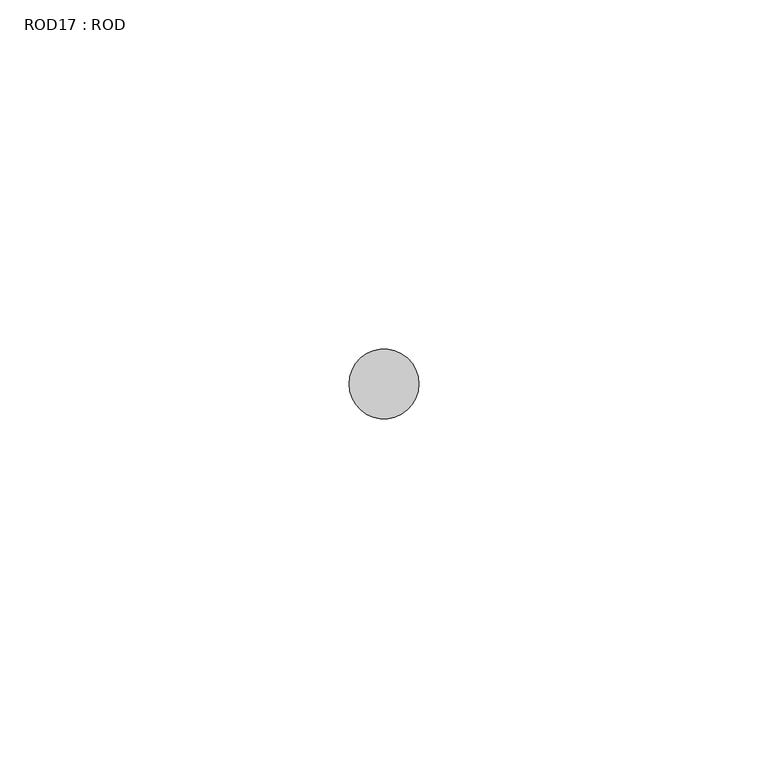
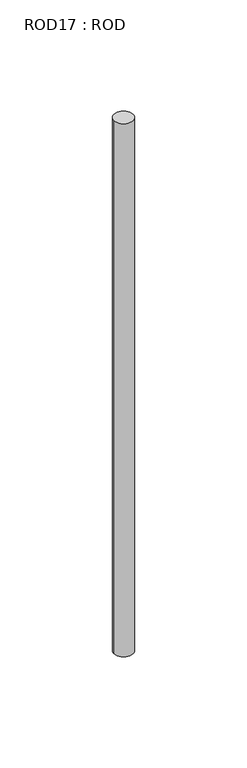
"""IFC4 building model written with IfcOpenShell, lengths in millimetres: proxy geometry, ROD17 : ROD."""

from ifc_helpers import new_model, si_unit, point, frame, frame_2d, origin, place, context, project, spatial, circle_curve, trimmed, segment, composite_curve, outline, extrude, source, transform, mapped, element, save


def rod17_rod_7e82f9c6(model_context):
    return source(origin(), model_context, "Body", "SweptSolid", [
        extrude(outline(composite_curve([segment(trimmed(circle_curve(frame_2d((-6767.2215616, -1114.6300853)), 5.0), [point((-6772.2215616, -1114.6300853))], [point((-6762.2215616, -1114.6300853))], False, "CARTESIAN"), True, "CONTINUOUS"), segment(trimmed(circle_curve(frame_2d((-6767.2215616, -1114.6300853)), 5.0), [point((-6762.2215616, -1114.6300853))], [point((-6772.2215616, -1114.6300853))], False, "CARTESIAN"), True, "CONTINUOUS")], self_intersect=False)), frame((0.0, 0.0, -208.6608845), z_axis=(0.0, 0.0, 1.0), x_axis=(1.0, 0.0, 0.0)), (0.0, 0.0, 1.0), 298.9028972),
    ])


if __name__ == "__main__":
    model = new_model("IFC4")
    model_context = context("Model", 3, world=origin())
    ifc_project = project(units=[si_unit("LENGTHUNIT", "METRE", prefix="MILLI")], contexts=[model_context])
    site = spatial("IfcSite", under=ifc_project)
    building = spatial("IfcBuilding", under=site)
    placement = place(None, origin())
    rod17_rod_shape = rod17_rod_7e82f9c6(model_context)
    element("IfcBuildingElementProxy", 1, Name="ROD17 : ROD", ObjectType="ROD17 : ROD", at=placement, inside=building, context=model_context, shape_type="MappedRepresentation", body=[
        mapped(rod17_rod_shape, transform((0.0, 0.0, 0.0), x_axis=(1.0, 0.0, 0.0), y_axis=(0.0, 1.0, 0.0), z_axis=(0.0, 0.0, 1.0))),
    ])
    save(model, "model.ifc")
